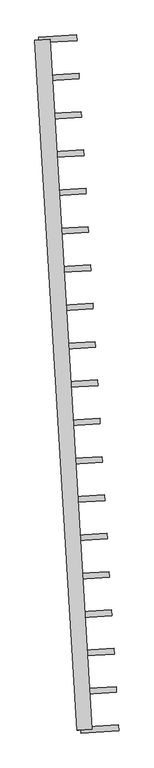
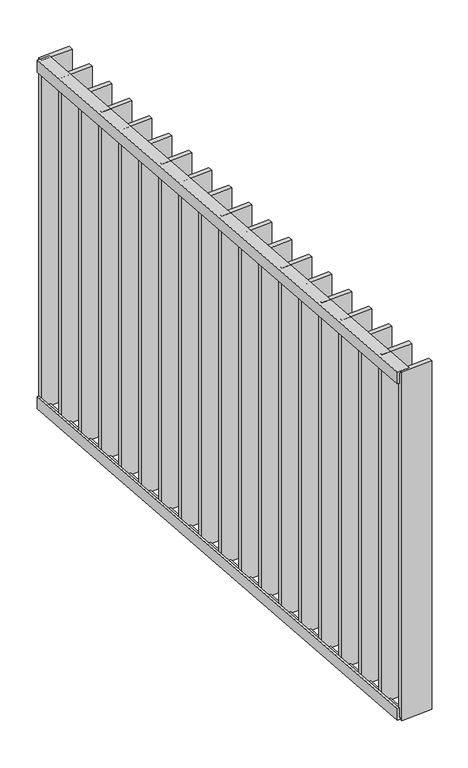
"""IFC4 building model written with IfcOpenShell, lengths in millimetres: railing geometry."""

from ifc_helpers import new_model, si_unit, frame, origin, place, context, project, spatial, polyline, outline, extrude, source, transform, mapped, element, save


def railing_4498e750(model_context):
    return source(origin(), model_context, "Body", "SweptSolid", [
        extrude(outline(polyline([(-14.0, 6.0), (19.9999999, 6.0), (19.9999999, 0.0), (-20.0, 0.0), (-20.0, 40.0), (-14.0, 40.0), (-14.0, 6.0)])), frame((68027.7447077, 21255.4757864, 8000.0), z_axis=(-0.061048539537376184, 0.9981347984217129, 0.0), x_axis=(0.9981347984217129, 0.061048539537376184, 0.0)), (0.0, 0.0, 1.0), 1810.0),
        extrude(outline(polyline([(-14.0, -6.0), (-14.0, -40.0), (-20.0, -40.0), (-20.0, 0.0), (19.9999999, 0.0), (19.9999999, -6.0), (-14.0, -6.0)])), frame((68027.7447077, 21255.4757864, 6820.0), z_axis=(-0.061048539537376184, 0.9981347984217129, 0.0), x_axis=(0.9981347984217129, 0.061048539537376184, 0.0)), (0.0, 0.0, 1.0), 1810.0),
        extrude(outline(polyline([(67913.862137, 22953.635276), (67912.9464089, 22968.607298), (68012.7598887, 22974.7121519), (68013.6756168, 22959.7401299), (67913.862137, 22953.635276)])), frame((0.0, 0.0, 6819.9), z_axis=(0.0, 0.0, 1.0), x_axis=(1.0, 0.0, 0.0)), (0.0, 0.0, 1.0), 1180.2),
        extrude(outline(polyline([(67920.0009068, 22853.2672768), (67919.0851787, 22868.2392988), (68018.8986585, 22874.3441528), (68019.8143866, 22859.3721308), (67920.0009068, 22853.2672768)])), frame((0.0, 0.0, 6819.9), z_axis=(0.0, 0.0, 1.0), x_axis=(1.0, 0.0, 0.0)), (0.0, 0.0, 1.0), 1180.2),
        extrude(outline(polyline([(67926.1396766, 22752.8992776), (67925.2239485, 22767.8712996), (68025.0374283, 22773.9761536), (68025.9531564, 22759.0041316), (67926.1396766, 22752.8992776)])), frame((0.0, 0.0, 6819.9), z_axis=(0.0, 0.0, 1.0), x_axis=(1.0, 0.0, 0.0)), (0.0, 0.0, 1.0), 1180.2),
        extrude(outline(polyline([(67932.2784464, 22652.5312785), (67931.3627183, 22667.5033004), (68031.1761981, 22673.6081544), (68032.0919262, 22658.6361324), (67932.2784464, 22652.5312785)])), frame((0.0, 0.0, 6819.9), z_axis=(0.0, 0.0, 1.0), x_axis=(1.0, 0.0, 0.0)), (0.0, 0.0, 1.0), 1180.2),
        extrude(outline(polyline([(67938.4172162, 22552.1632793), (67937.5014881, 22567.1353013), (68037.314968, 22573.2401552), (68038.230696, 22558.2681332), (67938.4172162, 22552.1632793)])), frame((0.0, 0.0, 6819.9), z_axis=(0.0, 0.0, 1.0), x_axis=(1.0, 0.0, 0.0)), (0.0, 0.0, 1.0), 1180.2),
        extrude(outline(polyline([(67944.555986, 22451.7952801), (67943.6402579, 22466.7673021), (68043.4537378, 22472.8721561), (68044.3694659, 22457.9001341), (67944.555986, 22451.7952801)])), frame((0.0, 0.0, 6819.9), z_axis=(0.0, 0.0, 1.0), x_axis=(1.0, 0.0, 0.0)), (0.0, 0.0, 1.0), 1180.2),
        extrude(outline(polyline([(67950.6947558, 22351.4272809), (67949.7790277, 22366.3993029), (68049.5925076, 22372.5041569), (68050.5082357, 22357.5321349), (67950.6947558, 22351.4272809)])), frame((0.0, 0.0, 6819.9), z_axis=(0.0, 0.0, 1.0), x_axis=(1.0, 0.0, 0.0)), (0.0, 0.0, 1.0), 1180.2),
        extrude(outline(polyline([(67956.8335256, 22251.0592818), (67955.9177975, 22266.0313037), (68055.7312774, 22272.1361577), (68056.6470055, 22257.1641357), (67956.8335256, 22251.0592818)])), frame((0.0, 0.0, 6819.9), z_axis=(0.0, 0.0, 1.0), x_axis=(1.0, 0.0, 0.0)), (0.0, 0.0, 1.0), 1180.2),
        extrude(outline(polyline([(67962.9722954, 22150.6912826), (67962.0565673, 22165.6633046), (68061.8700472, 22171.7681585), (68062.7857753, 22156.7961365), (67962.9722954, 22150.6912826)])), frame((0.0, 0.0, 6819.9), z_axis=(0.0, 0.0, 1.0), x_axis=(1.0, 0.0, 0.0)), (0.0, 0.0, 1.0), 1180.2),
        extrude(outline(polyline([(67969.1110652, 22050.3232834), (67968.1953372, 22065.2953054), (68068.008817, 22071.4001594), (68068.9245451, 22056.4281374), (67969.1110652, 22050.3232834)])), frame((0.0, 0.0, 6819.9), z_axis=(0.0, 0.0, 1.0), x_axis=(1.0, 0.0, 0.0)), (0.0, 0.0, 1.0), 1180.2),
        extrude(outline(polyline([(67975.2498351, 21949.9552842), (67974.334107, 21964.9273062), (68074.1475868, 21971.0321602), (68075.0633149, 21956.0601382), (67975.2498351, 21949.9552842)])), frame((0.0, 0.0, 6819.9), z_axis=(0.0, 0.0, 1.0), x_axis=(1.0, 0.0, 0.0)), (0.0, 0.0, 1.0), 1180.2),
        extrude(outline(polyline([(67981.3886049, 21849.5872851), (67980.4728768, 21864.559307), (68080.2863566, 21870.664161), (68081.2020847, 21855.692139), (67981.3886049, 21849.5872851)])), frame((0.0, 0.0, 6819.9), z_axis=(0.0, 0.0, 1.0), x_axis=(1.0, 0.0, 0.0)), (0.0, 0.0, 1.0), 1180.2),
        extrude(outline(polyline([(67987.5273747, 21749.2192859), (67986.6116466, 21764.1913079), (68086.4251264, 21770.2961618), (68087.3408545, 21755.3241399), (67987.5273747, 21749.2192859)])), frame((0.0, 0.0, 6819.9), z_axis=(0.0, 0.0, 1.0), x_axis=(1.0, 0.0, 0.0)), (0.0, 0.0, 1.0), 1180.2),
        extrude(outline(polyline([(67993.6661445, 21648.8512867), (67992.7504164, 21663.8233087), (68092.5638962, 21669.9281627), (68093.4796243, 21654.9561407), (67993.6661445, 21648.8512867)])), frame((0.0, 0.0, 6819.9), z_axis=(0.0, 0.0, 1.0), x_axis=(1.0, 0.0, 0.0)), (0.0, 0.0, 1.0), 1180.2),
        extrude(outline(polyline([(67999.8049143, 21548.4832875), (67998.8891862, 21563.4553095), (68098.702666, 21569.5601635), (68099.6183941, 21554.5881415), (67999.8049143, 21548.4832875)])), frame((0.0, 0.0, 6819.9), z_axis=(0.0, 0.0, 1.0), x_axis=(1.0, 0.0, 0.0)), (0.0, 0.0, 1.0), 1180.2),
        extrude(outline(polyline([(68005.9436841, 21448.1152884), (68005.027956, 21463.0873103), (68104.8414359, 21469.1921643), (68105.7571639, 21454.2201423), (68005.9436841, 21448.1152884)])), frame((0.0, 0.0, 6819.9), z_axis=(0.0, 0.0, 1.0), x_axis=(1.0, 0.0, 0.0)), (0.0, 0.0, 1.0), 1180.2),
        extrude(outline(polyline([(68012.0824539, 21347.7472892), (68011.1667258, 21362.7193112), (68110.9802057, 21368.8241651), (68111.8959338, 21353.8521432), (68012.0824539, 21347.7472892)])), frame((0.0, 0.0, 6819.9), z_axis=(0.0, 0.0, 1.0), x_axis=(1.0, 0.0, 0.0)), (0.0, 0.0, 1.0), 1180.2),
        extrude(outline(polyline([(67907.7233672, 23054.0032752), (67906.8076391, 23068.9752971), (68006.6211189, 23075.0801511), (68007.536847, 23060.1081291), (67907.7233672, 23054.0032752)])), frame((0.0, 0.0, 6819.9), z_axis=(0.0, 0.0, 1.0), x_axis=(1.0, 0.0, 0.0)), (0.0, 0.0, 1.0), 1180.2),
        extrude(outline(polyline([(68018.2212237, 21247.37929), (68017.3054956, 21262.351312), (68117.1189755, 21268.456166), (68118.0347036, 21253.484144), (68018.2212237, 21247.37929)])), frame((0.0, 0.0, 6819.9), z_axis=(0.0, 0.0, 1.0), x_axis=(1.0, 0.0, 0.0)), (0.0, 0.0, 1.0), 1180.2),
    ])


if __name__ == "__main__":
    model = new_model("IFC4")
    model_context = context("Model", 3, world=origin())
    ifc_project = project(units=[si_unit("LENGTHUNIT", "METRE", prefix="MILLI")], contexts=[model_context])
    site = spatial("IfcSite", under=ifc_project)
    building = spatial("IfcBuilding", under=site)
    placement = place(None, origin())
    railing_shape = railing_4498e750(model_context)
    element("IfcRailing", 1, at=placement, inside=building, context=model_context, shape_type="MappedRepresentation", body=[
        mapped(railing_shape, transform((0.0, 0.0, 0.0), x_axis=(1.0, 0.0, 0.0), y_axis=(0.0, 1.0, 0.0), z_axis=(0.0, 0.0, 1.0))),
    ])
    save(model, "model.ifc")
